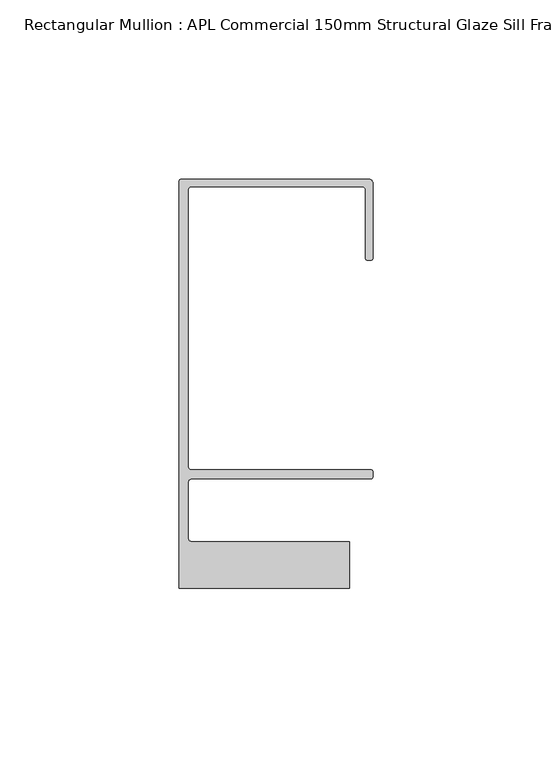
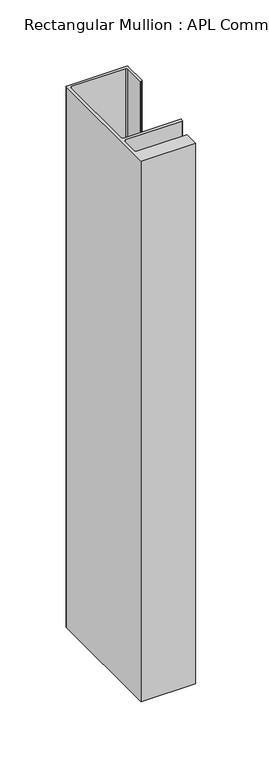
"""IFC4 building model written with IfcOpenShell, lengths in millimetres: member geometry, Rectangular Mullion : APL Commercial 150mm Structural Glaze Sill Frame (Back)."""

from ifc_helpers import new_model, si_unit, frame, origin, place, context, project, spatial, polyline, circle_curve, source, transform, mapped, element, save
from ifc_brep_helpers import plane_surface, cylinder_surface, revolved_surface, advanced_brep


def rectangular_mullion_apl_commercial_150mm_structural_glaze_b2ff9b21(model_context):
    return source(origin(), model_context, "Body", "AdvancedBrep", [
        advanced_brep(
        [(-53.5000083, 129.0001071, 0.0), (-54.0000083, 128.5001071, 0.0), (-54.0000083, 15.0004332, 0.0), (-6.5000083, 15.0004332, 0.0), (-6.5000083, 28.0004332, 0.0), (-50.500032, 28.0004332, 0.0), (-51.500032, 29.0004332, 0.0), (-51.500032, 44.4999541, 0.0), (-50.500032, 45.4999541, 0.0), (-0.521387, 45.4999541, 0.0), (-5.4e-06, 46.0213357, 0.0), (-5.4e-06, 47.5021598, 0.0), (-0.5000012, 48.000115, 0.0), (-50.482081, 48.000115, 0.0), (-51.5000225, 48.9999541, 0.0), (-51.5000225, 126.00011, 0.0), (-50.5000083, 127.00011, 0.0), (-2.9999982, 127.00011, 0.0), (-1.9999982, 126.0001071, 0.0), (-1.9999982, 107.0001071, 0.0), (-1.4999822, 106.5001071, 0.0), (-0.5, 106.5001071, 0.0), (0.0, 107.0001071, 0.0), (0.0, 128.0001071, 0.0), (-1.0000079, 129.0001071, 0.0), (-53.5000083, 129.0001071, -499.5829221), (-1.0000079, 129.0001071, -499.5829221), (-7.9e-06, 128.0001071, -499.5829221), (0.0, 107.0001071, -499.5829221), (-0.5, 106.5001071, -499.5829221), (-1.4999822, 106.5001071, -499.5829221), (-1.9999822, 107.0001071, -499.5829221), (-1.9999982, 126.0001071, -499.5829221), (-2.9999982, 127.0001071, -499.5829221), (-50.5000083, 127.00011, -499.5829221), (-51.5000083, 126.00011, -499.5829221), (-51.5000225, 48.9999541, -499.5829221), (-50.482081, 48.000115, -499.5829221), (-0.5000012, 48.000115, -499.5829221), (-5.4e-06, 47.5021598, -499.5829221), (-5.4e-06, 46.0213357, -499.5829221), (-0.521387, 45.4999541, -499.5829221), (-50.500032, 45.4999541, -499.5829221), (-51.500032, 44.4999541, -499.5829221), (-51.500032, 29.0004332, -499.5829221), (-50.500032, 28.0004332, -499.5829221), (-6.5000083, 28.0004332, -499.5829221), (-6.5000083, 15.0004332, -499.5829221), (-54.0000083, 15.0004332, -499.5829221), (-54.0000083, 128.5001071, -499.5829221)],
        [
            (0, 1, circle_curve(frame((-53.5000083, 128.5001071, 0.0), z_axis=(0.0, 0.0, 1.0), x_axis=(0.0, 1.0, 0.0)), 0.5)),
            (1, 2),
            (2, 3),
            (3, 4),
            (4, 5),
            (5, 6, circle_curve(frame((-50.500032, 29.0004332, 0.0), z_axis=(0.0, 0.0, -1.0), x_axis=(0.0, -1.0, 0.0)), 1.0)),
            (6, 7),
            (7, 8, circle_curve(frame((-50.500032, 44.4999541, 0.0), z_axis=(0.0, 0.0, -1.0), x_axis=(-0.9999999999998819, 4.863123717036027e-07, 0.0)), 1.0)),
            (8, 9),
            (9, 10, circle_curve(frame((-0.521387, 46.0213357, 0.0), z_axis=(0.0, 0.0, 1.0), x_axis=(-1.0, 0.0, 0.0)), 0.5213816)),
            (10, 11),
            (11, 12, circle_curve(frame((-0.5000012, 47.500115, 0.0), z_axis=(0.0, 0.0, 1.0), x_axis=(0.9999999999999991, -4.5120271963110614e-08, 0.0)), 0.5)),
            (12, 13),
            (13, 14, circle_curve(frame((-50.5000225, 48.9999541, 0.0), z_axis=(0.0, 0.0, -1.0), x_axis=(3.5344775231070867e-06, -0.9999999999937538, 0.0)), 1.0)),
            (14, 15),
            (15, 16, circle_curve(frame((-50.5000083, 126.00011, 0.0), z_axis=(0.0, 0.0, -1.0), x_axis=(-1.0, 3.636202450239078e-12, 0.0)), 1.0)),
            (16, 17),
            (17, 18, circle_curve(frame((-2.9999982, 126.0001071, 0.0), z_axis=(0.0, 0.0, -1.0), x_axis=(0.0, 1.0, 0.0)), 1.0)),
            (18, 19),
            (19, 20, circle_curve(frame((-1.4999822, 107.0001071, 0.0), z_axis=(0.0, 0.0, 1.0), x_axis=(-1.0, -1.039279773351609e-08, 0.0)), 0.5)),
            (20, 21),
            (21, 22, circle_curve(frame((-0.5, 107.0001071, 0.0), z_axis=(0.0, 0.0, 1.0), x_axis=(0.0, -1.0, 0.0)), 0.5)),
            (22, 23),
            (23, 24, circle_curve(frame((-1.0000079, 128.0001071, 0.0), z_axis=(0.0, 0.0, 1.0), x_axis=(0.9999999999996143, 8.78371761103865e-07, 0.0)), 1.0)),
            (24, 0),
            (25, 26),
            (26, 27, circle_curve(frame((-1.0000079, 128.0001071, -499.5829221), z_axis=(0.0, 0.0, -1.0), x_axis=(0.9999999999996143, 8.78371761103865e-07, 0.0)), 1.0)),
            (27, 28),
            (28, 29, circle_curve(frame((-0.5, 107.0001071, -499.5829221), z_axis=(0.0, 0.0, -1.0), x_axis=(0.0, -1.0, 0.0)), 0.5)),
            (29, 30),
            (30, 31, circle_curve(frame((-1.4999822, 107.0001071, -499.5829221), z_axis=(0.0, 0.0, -1.0), x_axis=(-1.0, -1.039279773351609e-08, 0.0)), 0.5)),
            (31, 32),
            (32, 33, circle_curve(frame((-2.9999982, 126.0001071, -499.5829221), z_axis=(0.0, 0.0, 1.0), x_axis=(0.0, 1.0, 0.0)), 1.0)),
            (33, 34),
            (34, 35, circle_curve(frame((-50.5000083, 126.00011, -499.5829221), z_axis=(0.0, 0.0, 1.0), x_axis=(-1.0, 3.636202450239078e-12, 0.0)), 1.0)),
            (35, 36),
            (36, 37, circle_curve(frame((-50.5000225, 48.9999541, -499.5829221), z_axis=(0.0, 0.0, 1.0), x_axis=(3.5344775231070867e-06, -0.9999999999937538, 0.0)), 1.0)),
            (37, 38),
            (38, 39, circle_curve(frame((-0.5000012, 47.500115, -499.5829221), z_axis=(0.0, 0.0, -1.0), x_axis=(0.9999999999999991, -4.5120271963110614e-08, 0.0)), 0.5)),
            (39, 40),
            (40, 41, circle_curve(frame((-0.521387, 46.0213357, -499.5829221), z_axis=(0.0, 0.0, -1.0), x_axis=(-1.0, 0.0, 0.0)), 0.5213816)),
            (41, 42),
            (42, 43, circle_curve(frame((-50.500032, 44.4999541, -499.5829221), z_axis=(0.0, 0.0, 1.0), x_axis=(-0.9999999999998819, 4.863123717036027e-07, 0.0)), 1.0)),
            (43, 44),
            (44, 45, circle_curve(frame((-50.500032, 29.0004332, -499.5829221), z_axis=(0.0, 0.0, 1.0), x_axis=(0.0, -1.0, 0.0)), 1.0)),
            (45, 46),
            (46, 47),
            (47, 48),
            (48, 49),
            (49, 25, circle_curve(frame((-53.5000083, 128.5001071, -499.5829221), z_axis=(0.0, 0.0, -1.0), x_axis=(0.0, 1.0, 0.0)), 0.5)),
            (0, 25),
            (49, 1),
            (48, 2),
            (47, 3),
            (46, 4),
            (45, 5),
            (44, 6),
            (43, 7),
            (42, 8),
            (41, 9),
            (40, 10),
            (39, 11),
            (23, 27),
            (26, 24),
            (38, 12),
            (37, 13),
            (36, 14),
            (35, 15),
            (34, 16),
            (33, 17),
            (32, 18),
            (31, 19),
            (30, 20),
            (29, 21),
            (28, 22),
        ],
        [
            plane_surface(frame((0.0, -139.6548314, 0.0), z_axis=(0.0, 0.0, 1.0), x_axis=(-1.0, 0.0, 0.0))),
            plane_surface(frame((0.0, -139.6548314, -499.5829221), z_axis=(0.0, 0.0, -1.0), x_axis=(-1.0, 0.0, 0.0))),
            cylinder_surface(frame((-53.5000083, 128.5001071, 0.0), z_axis=(0.0, 0.0, 1.0), x_axis=(0.0, 1.0, 0.0)), 0.5),
            plane_surface(frame((-54.0000083, 128.5001071, 0.0), z_axis=(-1.0, 0.0, 0.0), x_axis=(0.0, 0.0, -1.0))),
            plane_surface(frame((-54.0000083, 15.0004332, 0.0), z_axis=(0.0, -1.0, 0.0), x_axis=(0.0, 0.0, -1.0))),
            plane_surface(frame((-6.5000083, 15.0004332, 0.0), z_axis=(1.0, 0.0, 0.0), x_axis=(0.0, 0.0, -1.0))),
            plane_surface(frame((-6.5000083, 28.0004332, 0.0), z_axis=(0.0, 1.0, 0.0), x_axis=(0.0, 0.0, -1.0))),
            revolved_surface(polyline([(-50.500032, 28.0004332, -499.5829221), (-50.500032, 28.0004332, 0.0)]), (-50.500032, 29.0004332, 0.0), (0.0, 0.0, -1.0)),
            plane_surface(frame((-51.500032, 29.0004332, 0.0), z_axis=(1.0, 0.0, 0.0), x_axis=(0.0, 0.0, -1.0))),
            revolved_surface(polyline([(-51.50003199999988, 44.49995458631237, -499.58292210000025), (-51.50003199999988, 44.49995458631237, 0.0)]), (-50.500032, 44.4999541, 0.0), (0.0, 0.0, -1.0000000000000002)),
            plane_surface(frame((-50.500032, 45.4999541, 0.0), z_axis=(0.0, -1.0, 0.0), x_axis=(0.0, 0.0, -1.0))),
            cylinder_surface(frame((-0.521387, 46.0213357, 0.0), z_axis=(0.0, 0.0, 1.0), x_axis=(-1.0, 0.0, 0.0)), 0.5213816),
            plane_surface(frame((-5.4e-06, 46.0213357, 0.0), z_axis=(1.0, 0.0, 0.0), x_axis=(0.0, 0.0, -1.0))),
            cylinder_surface(frame((-1.0000079, 128.0001071, 0.0), z_axis=(0.0, 0.0, 1.0000000000000002), x_axis=(0.9999999999996143, 8.78371761103865e-07, 0.0)), 1.0),
            plane_surface(frame((-1.0000079, 129.0001071, 0.0), z_axis=(0.0, 1.0, 0.0), x_axis=(0.0, 0.0, -1.0))),
            cylinder_surface(frame((-0.5000012, 47.500115, 0.0), z_axis=(0.0, 0.0, 1.0000000000000002), x_axis=(0.9999999999999991, -4.5120271963110614e-08, 0.0)), 0.5),
            plane_surface(frame((-0.5000012, 48.000115, 0.0), z_axis=(0.0, 1.0, 0.0), x_axis=(0.0, 0.0, -1.0))),
            revolved_surface(polyline([(-50.50001896552248, 47.99995410000624, -499.5829221), (-50.50001896552248, 47.99995410000624, 0.0)]), (-50.5000225, 48.9999541, 0.0), (0.0, 0.0, -1.0)),
            plane_surface(frame((-51.5000225, 48.9999541, 0.0), z_axis=(1.0, 0.0, 0.0), x_axis=(0.0, 0.0, -1.0))),
            revolved_surface(polyline([(-51.5000083, 126.00011000000364, -499.5829221), (-51.5000083, 126.00011000000364, 0.0)]), (-50.5000083, 126.00011, 0.0), (0.0, 0.0, -1.0)),
            plane_surface(frame((-50.5000083, 127.00011, 0.0), z_axis=(0.0, -1.0, 0.0), x_axis=(0.0, 0.0, -1.0))),
            revolved_surface(polyline([(-2.9999982, 127.0001071, -499.5829221), (-2.9999982, 127.0001071, 0.0)]), (-2.9999982, 126.0001071, 0.0), (0.0, 0.0, -1.0)),
            plane_surface(frame((-1.9999982, 126.0001071, 0.0), z_axis=(-1.0, 0.0, 0.0), x_axis=(0.0, 0.0, -1.0))),
            cylinder_surface(frame((-1.4999822, 107.0001071, 0.0), z_axis=(0.0, 0.0, 1.0), x_axis=(-1.0, -1.039279773351609e-08, 0.0)), 0.5),
            plane_surface(frame((-1.4999822, 106.5001071, 0.0), z_axis=(0.0, -1.0, 0.0), x_axis=(0.0, 0.0, -1.0))),
            cylinder_surface(frame((-0.5, 107.0001071, 0.0), z_axis=(0.0, 0.0, 1.0), x_axis=(0.0, -1.0, 0.0)), 0.5),
            plane_surface(frame((0.0, 107.0001071, 0.0), z_axis=(1.0, 0.0, 0.0), x_axis=(0.0, 0.0, -1.0))),
        ],
        [
            (0, [[1, 2, 3, 4, 5, 6, 7, 8, 9, 10, 11, 12, 13, 14, 15, 16, 17, 18, 19, 20, 21, 22, 23, 24, 25]]),
            (1, [[26, 27, 28, 29, 30, 31, 32, 33, 34, 35, 36, 37, 38, 39, 40, 41, 42, 43, 44, 45, 46, 47, 48, 49, 50]]),
            (2, [[-1, 51, -50, 52]]),
            (3, [[-2, -52, -49, 53]]),
            (4, [[-3, -53, -48, 54]]),
            (5, [[-4, -54, -47, 55]]),
            (6, [[-5, -55, -46, 56]]),
            (7, [[-6, -56, -45, 57]]),
            (8, [[-7, -57, -44, 58]]),
            (9, [[-8, -58, -43, 59]]),
            (10, [[-9, -59, -42, 60]]),
            (11, [[-10, -60, -41, 61]]),
            (12, [[-11, -61, -40, 62]]),
            (13, [[-24, 63, -27, 64]]),
            (14, [[-25, -64, -26, -51]]),
            (15, [[-12, -62, -39, 65]]),
            (16, [[-13, -65, -38, 66]]),
            (17, [[-14, -66, -37, 67]]),
            (18, [[-15, -67, -36, 68]]),
            (19, [[-16, -68, -35, 69]]),
            (20, [[-17, -69, -34, 70]]),
            (21, [[-18, -70, -33, 71]]),
            (22, [[-19, -71, -32, 72]]),
            (23, [[-20, -72, -31, 73]]),
            (24, [[-21, -73, -30, 74]]),
            (25, [[-22, -74, -29, 75]]),
            (26, [[-23, -75, -28, -63]]),
        ],
    ),
    ])


if __name__ == "__main__":
    model = new_model("IFC4")
    model_context = context("Model", 3, world=origin())
    ifc_project = project(units=[si_unit("LENGTHUNIT", "METRE", prefix="MILLI")], contexts=[model_context])
    site = spatial("IfcSite", under=ifc_project)
    building = spatial("IfcBuilding", under=site)
    placement = place(None, origin())
    rectangular_mullion_apl_commercial_150mm_structural_glaze_shape = rectangular_mullion_apl_commercial_150mm_structural_glaze_b2ff9b21(model_context)
    element("IfcMember", 1, ObjectType="Rectangular Mullion : APL Commercial 150mm Structural Glaze Sill Frame (Back)", at=placement, inside=building, context=model_context, shape_type="MappedRepresentation", body=[
        mapped(rectangular_mullion_apl_commercial_150mm_structural_glaze_shape, transform((0.0, 0.0, 0.0), x_axis=(1.0, 0.0, 0.0), y_axis=(0.0, 1.0, 0.0), z_axis=(0.0, 0.0, 1.0))),
    ])
    save(model, "model.ifc")
